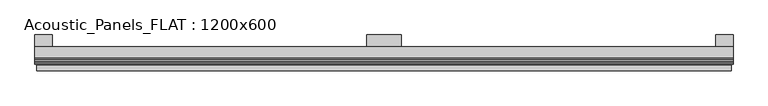
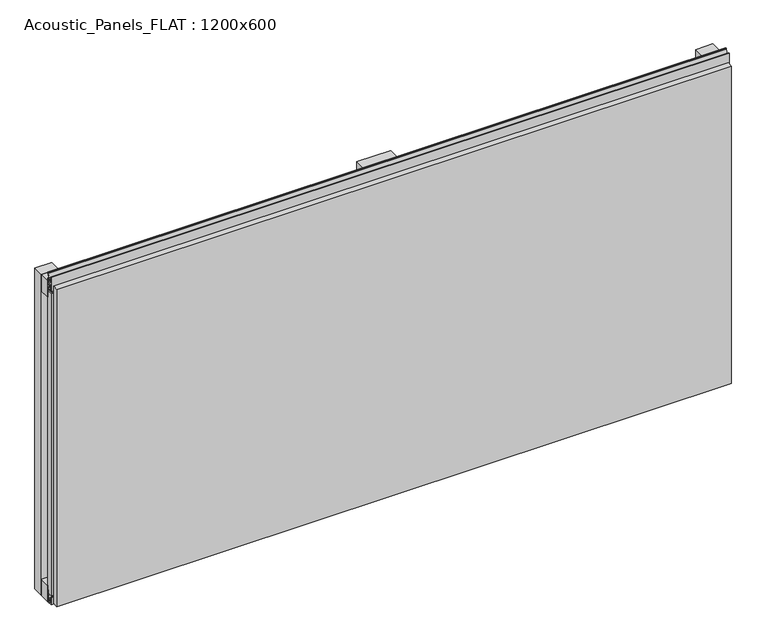
"""IFC4 building model written with IfcOpenShell, lengths in millimetres: plate geometry, Acoustic_Panels_FLAT : 1200x600."""

from ifc_helpers import new_model, si_unit, frame, origin, origin_with_axes, place, context, project, spatial, polyline, outline, extrude, faceted_brep, source, transform, mapped, element, save


def acoustic_panels_flat_1200x600_06c30613(model_context):
    return source(origin(), model_context, "Body", "SolidModel", [
        extrude(outline(polyline([(-600.0, -40.0), (-600.0, -20.0), (600.0, -20.0), (600.0, -40.0), (-600.0, -40.0)])), frame((0.0, 0.0, 570.0), z_axis=(0.0, 0.0, 1.0), x_axis=(1.0, 0.0, 0.0)), (0.0, 0.0, 1.0), 30.0),
        extrude(outline(polyline([(-600.0, -40.0), (-600.0, -20.0), (600.0, -20.0), (600.0, -40.0), (-600.0, -40.0)])), origin_with_axes(), (0.0, 0.0, 1.0), 30.0),
        extrude(outline(polyline([(570.0, 0.0), (600.0, 0.0), (600.0, -20.0), (570.0, -20.0), (570.0, 0.0)])), origin_with_axes(), (0.0, 0.0, 1.0), 600.0),
        extrude(outline(polyline([(30.0, 0.0), (30.0, -20.0), (-30.0, -20.0), (-30.0, 0.0), (30.0, 0.0)])), origin_with_axes(), (0.0, 0.0, 1.0), 600.0),
        extrude(outline(polyline([(-570.0, 0.0), (-570.0, -20.0), (-600.0, -20.0), (-600.0, 0.0), (-570.0, 0.0)])), origin_with_axes(), (0.0, 0.0, 1.0), 600.0),
        extrude(outline(polyline([(-40.0, 6.299084), (-40.0, 0.0), (-50.1, 0.0), (-50.1, 13.4156807), (-48.7, 13.4156807), (-48.7, 1.4156807), (-41.4, 1.4156807), (-41.4, 4.899084), (-45.5140545, 4.899084), (-41.4553267, 15.5703394), (-41.4553267, 22.991548), (-40.0553267, 22.991548), (-40.0553267, 15.3558599), (-43.5, 6.299084), (-40.0, 6.299084)])), frame((-600.0, 0.0, 0.0), z_axis=(1.0, 0.0, 0.0), x_axis=(0.0, 1.0, 0.0)), (0.0, 0.0, 1.0), 1200.0),
        extrude(outline(polyline([(-593.700916, -40.0), (-593.700916, -43.5), (-584.6441401, -40.0553267), (-577.008452, -40.0553267), (-577.008452, -41.4553267), (-584.4296606, -41.4553267), (-595.100916, -45.5140545), (-595.100916, -41.4), (-598.5843193, -41.4), (-598.5843193, -48.7), (-586.5843193, -48.7), (-586.5843193, -50.1), (-600.0, -50.1), (-600.0, -40.0), (-593.700916, -40.0)])), frame((0.0, 0.0, 16.9558599), z_axis=(0.0, 0.0, 1.0), x_axis=(1.0, 0.0, 0.0)), (0.0, 0.0, 1.0), 566.0882802),
        extrude(outline(polyline([(-48.7, 600.899084), (-41.4, 600.899084), (-41.4, 604.899084), (-45.5140545, 604.899084), (-41.4553267, 615.5703394), (-41.4553267, 616.9558599), (-40.0553267, 616.9558599), (-40.0553267, 615.3558599), (-43.5, 606.299084), (-40.0, 606.299084), (-40.0, 593.700916), (-43.5, 593.700916), (-40.0553267, 584.6441401), (-40.0553267, 583.0441401), (-41.4553267, 583.0441401), (-41.4553267, 584.4296606), (-45.5140545, 595.100916), (-41.4, 595.100916), (-41.4, 599.100916), (-48.7, 599.100916), (-48.7, 587.100916), (-50.1, 587.100916), (-50.1, 612.899084), (-48.7, 612.899084), (-48.7, 600.899084)])), frame((-600.0, 0.0, 0.0), z_axis=(1.0, 0.0, 0.0), x_axis=(0.0, 1.0, 0.0)), (0.0, 0.0, 1.0), 1200.0),
        faceted_brep([(597.0, -45.9, 597.0), (-597.0, -45.9, 597.0), (-597.0, -48.7, 597.0), (597.0, -48.7, 597.0), (-597.0, -61.9, 597.0), (597.0, -61.9, 597.0), (597.0, -51.9, 597.0), (-597.0, -51.9, 597.0), (-597.0, -45.9, 3.0), (597.0, -45.9, 3.0), (597.0, -48.7, 3.0), (-597.0, -48.7, 3.0), (597.0, -61.9, 3.0), (-597.0, -61.9, 3.0), (-597.0, -51.9, 3.0), (597.0, -51.9, 3.0), (585.0, -51.9, 585.0), (585.0, -51.9, 15.0), (585.0, -48.7, 15.0), (585.0, -48.7, 585.0), (-585.0, -51.9, 15.0), (-585.0, -48.7, 15.0), (-585.0, -51.9, 585.0), (-585.0, -48.7, 585.0)], [[[0, 1, 2, 3]], [[4, 5, 6, 7]], [[8, 9, 10, 11]], [[12, 13, 14, 15]], [[1, 0, 9, 8]], [[1, 8, 11, 2]], [[13, 4, 7, 14]], [[5, 4, 13, 12]], [[9, 0, 3, 10]], [[5, 12, 15, 6]], [[16, 17, 18, 19]], [[18, 17, 20, 21]], [[21, 20, 22, 23]], [[16, 19, 23, 22]], [[7, 6, 15, 14], [17, 16, 22, 20]], [[3, 2, 11, 10], [19, 18, 21, 23]]]),
    ])


if __name__ == "__main__":
    model = new_model("IFC4")
    model_context = context("Model", 3, world=origin())
    ifc_project = project(units=[si_unit("LENGTHUNIT", "METRE", prefix="MILLI")], contexts=[model_context])
    site = spatial("IfcSite", under=ifc_project)
    building = spatial("IfcBuilding", under=site)
    placement = place(None, origin())
    acoustic_panels_flat_1200x600_shape = acoustic_panels_flat_1200x600_06c30613(model_context)
    element("IfcPlate", 1, ObjectType="Acoustic_Panels_FLAT : 1200x600", at=placement, inside=building, context=model_context, shape_type="MappedRepresentation", body=[
        mapped(acoustic_panels_flat_1200x600_shape, transform((0.0, 0.0, 0.0), x_axis=(1.0, 0.0, 0.0), y_axis=(0.0, 1.0, 0.0), z_axis=(0.0, 0.0, 1.0))),
    ])
    save(model, "model.ifc")
